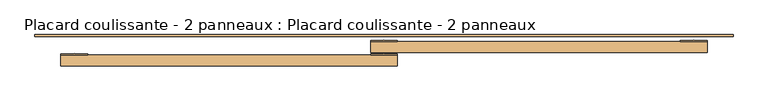
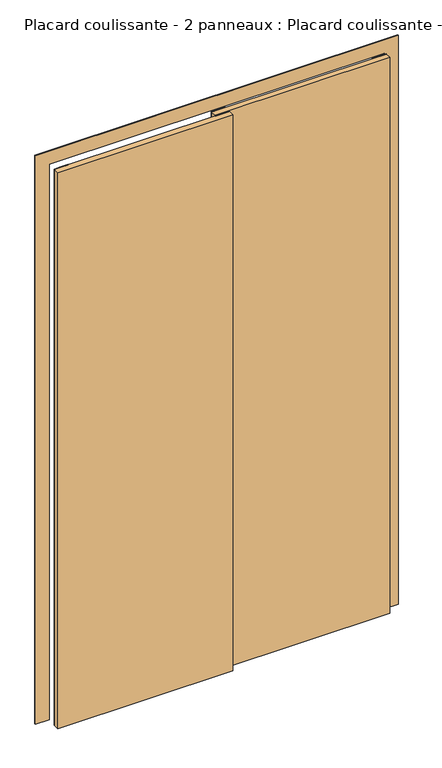
"""IFC4 building model written with IfcOpenShell, lengths in millimetres: door geometry, Placard coulissante - 2 panneaux : Placard coulissante - 2 panneaux."""

from ifc_helpers import new_model, si_unit, point, frame, frame_2d, origin, origin_with_axes, place, context, project, spatial, polyline, circle_curve, trimmed, segment, composite_curve, outline, extrude, source, transform, mapped, element, save


def placard_coulissante_2_panneaux_placard_coulissante_2_d8436935(model_context):
    return source(origin(), model_context, "Body", "SweptSolid", [
        extrude(outline(composite_curve([segment(polyline([(600.0, 15.0), (550.0, 15.0), (550.0, 17.0)]), True, "CONTINUOUS"), segment(trimmed(circle_curve(frame_2d((575.0, -196.8603852)), 215.3166607), [point((550.0, 17.0))], [point((600.0, 17.0))], False, "CARTESIAN"), True, "CONTINUOUS"), segment(polyline([(600.0, 17.0), (600.0, 15.0)]), True, "CONTINUOUS")], self_intersect=False)), origin_with_axes(), (0.0, 0.0, 1.0), 2100.0),
        extrude(outline(composite_curve([segment(polyline([(25.0, 15.0), (-25.0, 15.0), (-25.0, 17.0)]), True, "CONTINUOUS"), segment(trimmed(circle_curve(frame_2d((0.0, -196.8603852)), 215.3166607), [point((-25.0, 17.0))], [point((25.0, 17.0))], False, "CARTESIAN"), True, "CONTINUOUS"), segment(polyline([(25.0, 17.0), (25.0, 15.0)]), True, "CONTINUOUS")], self_intersect=False)), origin_with_axes(), (0.0, 0.0, 1.0), 2100.0),
        extrude(outline(composite_curve([segment(polyline([(25.0, -10.0), (-25.0, -10.0), (-25.0, -8.0)]), True, "CONTINUOUS"), segment(trimmed(circle_curve(frame_2d((0.0, -221.8603852)), 215.3166607), [point((-25.0, -8.0))], [point((25.0, -8.0))], False, "CARTESIAN"), True, "CONTINUOUS"), segment(polyline([(25.0, -8.0), (25.0, -10.0)]), True, "CONTINUOUS")], self_intersect=False)), origin_with_axes(), (0.0, 0.0, 1.0), 2100.0),
        extrude(outline(composite_curve([segment(polyline([(-550.0, -10.0), (-600.0, -10.0), (-600.0, -8.0)]), True, "CONTINUOUS"), segment(trimmed(circle_curve(frame_2d((-575.0, -221.8603852)), 215.3166607), [point((-600.0, -8.0))], [point((-550.0, -8.0))], False, "CARTESIAN"), True, "CONTINUOUS"), segment(polyline([(-550.0, -8.0), (-550.0, -10.0)]), True, "CONTINUOUS")], self_intersect=False)), origin_with_axes(), (0.0, 0.0, 1.0), 2100.0),
        extrude(outline(polyline([(0.0, -598.0), (2098.0, -598.0), (2098.0, 598.0), (0.0, 598.0), (0.0, 648.0), (2148.0, 648.0), (2148.0, -648.0), (0.0, -648.0), (0.0, -598.0)])), frame((0.0, 25.0, 0.0), z_axis=(0.0, 1.0, 0.0), x_axis=(0.0, 0.0, 1.0)), (0.0, 0.0, 1.0), 3.0),
        extrude(outline(polyline([(600.0, 15.0), (600.0, -5.0), (-25.0, -5.0), (-25.0, 15.0), (600.0, 15.0)])), origin_with_axes(), (0.0, 0.0, 1.0), 2100.0),
        extrude(outline(polyline([(25.0, -10.0), (25.0, -30.0), (-600.0, -30.0), (-600.0, -10.0), (25.0, -10.0)])), origin_with_axes(), (0.0, 0.0, 1.0), 2100.0),
    ])


if __name__ == "__main__":
    model = new_model("IFC4")
    model_context = context("Model", 3, world=origin())
    ifc_project = project(units=[si_unit("LENGTHUNIT", "METRE", prefix="MILLI")], contexts=[model_context])
    site = spatial("IfcSite", under=ifc_project)
    building = spatial("IfcBuilding", under=site)
    placement = place(None, origin())
    placard_coulissante_2_panneaux_placard_coulissante_2_shape = placard_coulissante_2_panneaux_placard_coulissante_2_d8436935(model_context)
    element("IfcDoor", 1, ObjectType="Placard coulissante - 2 panneaux : Placard coulissante - 2 panneaux", at=placement, inside=building, context=model_context, shape_type="MappedRepresentation", body=[
        mapped(placard_coulissante_2_panneaux_placard_coulissante_2_shape, transform((0.0, 0.0, 0.0), x_axis=(1.0, 0.0, 0.0), y_axis=(0.0, 1.0, 0.0), z_axis=(0.0, 0.0, 1.0))),
    ])
    save(model, "model.ifc")
